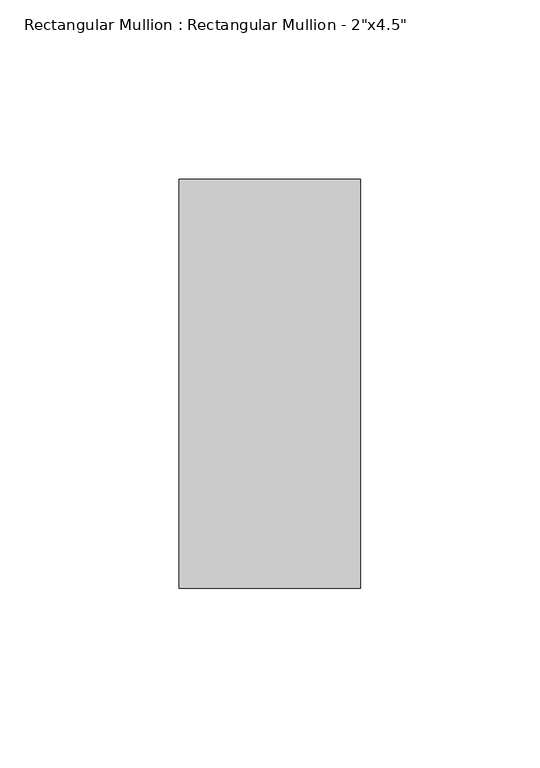
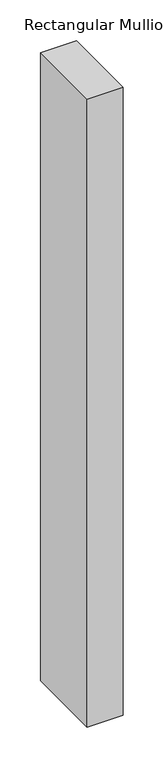
"""IFC4 building model written with IfcOpenShell, lengths in millimetres: member geometry."""

from ifc_helpers import new_model, si_unit, frame, origin, place, context, project, spatial, polyline, outline, extrude, source, transform, mapped, element, save


def member_597fbc1a(model_context):
    return source(origin(), model_context, "Body", "SweptSolid", [
        extrude(outline(polyline([(0.0, 57.15), (0.0, -57.15), (-50.8, -57.15), (-50.8, 57.15), (0.0, 57.15)])), frame((0.0, 0.0, -939.8), z_axis=(0.0, 0.0, 1.0), x_axis=(1.0, 0.0, 0.0)), (0.0, 0.0, 1.0), 939.8),
    ])


if __name__ == "__main__":
    model = new_model("IFC4")
    model_context = context("Model", 3, world=origin())
    ifc_project = project(units=[si_unit("LENGTHUNIT", "METRE", prefix="MILLI")], contexts=[model_context])
    site = spatial("IfcSite", under=ifc_project)
    building = spatial("IfcBuilding", under=site)
    placement = place(None, origin())
    member_shape = member_597fbc1a(model_context)
    element("IfcMember", 1, ObjectType="Rectangular Mullion : Rectangular Mullion - 2\"x4.5\"", at=placement, inside=building, context=model_context, shape_type="MappedRepresentation", body=[
        mapped(member_shape, transform((0.0, 0.0, 0.0), x_axis=(1.0, 0.0, 0.0), y_axis=(0.0, 1.0, 0.0), z_axis=(0.0, 0.0, 1.0))),
    ])
    save(model, "model.ifc")
